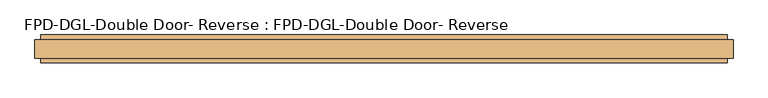
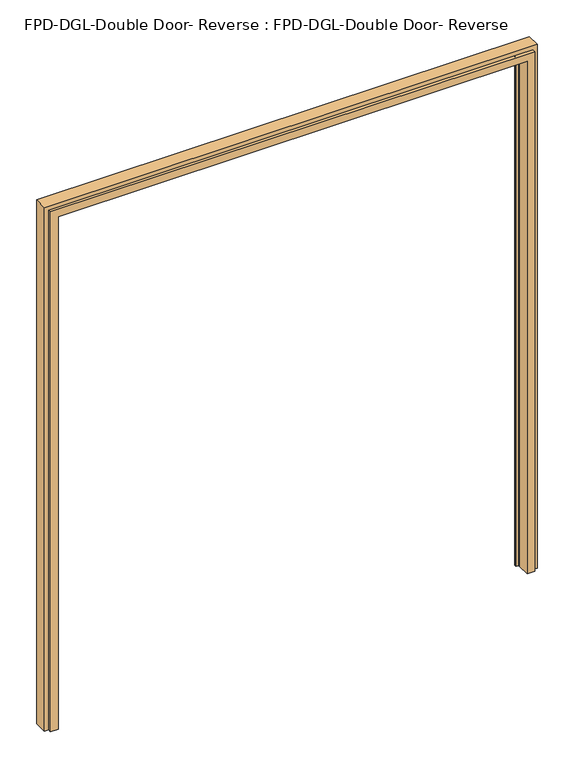
"""IFC4 building model written with IfcOpenShell, lengths in millimetres: door geometry, FPD-DGL-Double Door- Reverse : FPD-DGL-Double Door- Reverse."""

from ifc_helpers import new_model, si_unit, frame, origin, place, context, project, spatial, polyline, circle_curve, ellipse_curve, source, transform, mapped, element, save
from ifc_brep_helpers import plane_surface, cylinder_surface, revolved_surface, advanced_brep


def fpd_dgl_double_door_reverse_fpd_dgl_double_door_reverse_13acf760(model_context):
    return source(origin(), model_context, "Body", "AdvancedBrep", [
        advanced_brep(
        [(903.3075687, -11.3733949, 0.0), (903.3075687, 40.6860271, 0.0), (902.3830671, 40.6860271, 0.0), (902.3830671, 44.3028642, 0.0), (893.0413882, 44.3028642, 0.0), (892.4810471, 44.8632053, 0.0), (892.4810471, 51.5478604, 0.0), (893.0414807, 52.1082939, 0.0), (902.7488697, 52.1082939, 0.0), (903.3086545, 52.6680787, 0.0), (903.3086545, 64.7989331, 0.0), (933.4648079, 64.7989331, 0.0), (933.4556354, 52.1038106, 0.0), (949.325, 52.1038106, 0.0), (949.325, 1.322059, 0.0), (933.4556354, 1.322059, 0.0), (933.4648079, -11.3733949, 0.0), (903.3075687, -11.3733949, 2087.5825687), (903.3075687, 40.6860271, 2087.5825687), (-903.3075687, 40.6860271, 2087.5825687), (-903.3075687, 40.6860271, 0.0), (-902.3830671, 40.6860271, 0.0), (-902.3830671, 40.6860271, 2086.6580671), (902.3830671, 40.6860271, 2086.6580671), (902.3830671, 44.3028642, 2086.6580671), (-902.3830671, 44.3028642, 2086.6580671), (-902.3830671, 44.3028642, 0.0), (-893.0413882, 44.3028642, 0.0), (-893.0413882, 44.3028642, 2077.3163882), (893.0413882, 44.3028642, 2077.3163882), (892.4810471, 44.8632053, 2076.7560471), (892.4810471, 51.5478604, 2076.7560471), (893.0414807, 52.1082939, 2077.3164807), (-893.0414807, 52.1082939, 2077.3164807), (-893.0414807, 52.1082939, 0.0), (-902.7488697, 52.1082939, 0.0), (-902.7488697, 52.1082939, 2087.0238697), (902.7488697, 52.1082939, 2087.0238697), (903.3086545, 52.6680787, 2087.5836545), (903.3086545, 64.7989331, 2087.5836545), (-903.3075687, -11.3733949, 0.0), (-933.4648079, -11.3733949, 0.0), (-933.4556354, 1.322059, 0.0), (-949.325, 1.322059, 0.0), (-949.325, 52.1038106, 0.0), (-933.4556354, 52.1038106, 0.0), (-933.4648079, 64.7989331, 0.0), (-903.3086545, 64.7989331, 0.0), (-903.3086545, 52.6680787, 0.0), (-892.4810471, 51.5478604, 0.0), (-892.4810471, 44.8632053, 0.0), (-903.3086545, 64.7989331, 2087.5836545), (-903.3086545, 52.6680787, 2087.5836545), (-892.4810471, 51.5478604, 2076.7560471), (-892.4810471, 44.8632053, 2076.7560471), (-903.3075687, -11.3733949, 2087.5825687), (-933.4648079, 64.7989331, 2117.7398079), (933.4648079, 64.7989331, 2117.7398079), (933.4556354, 52.1038106, 2117.7306354), (-933.4556354, 52.1038106, 2117.7306354), (-949.325, 52.1038106, 2133.6), (949.325, 52.1038106, 2133.6), (949.325, 1.322059, 2133.6), (-949.325, 1.322059, 2133.6), (-933.4556354, 1.322059, 2117.7306354), (933.4556354, 1.322059, 2117.7306354), (933.4648079, -11.3733949, 2117.7398079), (-933.4648079, -11.3733949, 2117.7398079)],
        [
            (0, 1),
            (1, 2),
            (2, 3),
            (3, 4),
            (4, 5, circle_curve(frame((893.0413882, 44.8632053, 0.0), z_axis=(0.0, 0.0, -1.0), x_axis=(0.0, -1.0, 0.0)), 0.5603411)),
            (5, 6),
            (6, 7, circle_curve(frame((893.0414807, 51.5478604, 0.0), z_axis=(0.0, 0.0, -1.0), x_axis=(0.0, -1.0, 0.0)), 0.5604335)),
            (7, 8),
            (8, 9, circle_curve(frame((902.7488697, 52.6680787, 0.0), z_axis=(0.0, 0.0, 1.0), x_axis=(0.0, -1.0, 0.0)), 0.5597848)),
            (9, 10),
            (10, 11),
            (11, 12),
            (12, 13),
            (13, 14),
            (14, 15),
            (15, 16),
            (16, 0),
            (0, 17),
            (17, 18),
            (18, 1),
            (18, 19),
            (19, 20),
            (20, 21),
            (21, 22),
            (22, 23),
            (23, 2),
            (23, 24),
            (24, 3),
            (24, 25),
            (25, 26),
            (26, 27),
            (27, 28),
            (28, 29),
            (29, 4),
            (29, 30, ellipse_curve(frame((893.0413882, 44.8632053, 2077.3163882), z_axis=(0.7071067811865475, 0.0, -0.7071067811865475), x_axis=(-0.7071067811865474, 0.0, -0.7071067811865476)), 0.7924419, 0.5603411)),
            (30, 5),
            (30, 31),
            (31, 6),
            (31, 32, ellipse_curve(frame((893.0414807, 51.5478604, 2077.3164807), z_axis=(0.7071067811865475, 0.0, -0.7071067811865475), x_axis=(-0.7071067811865474, 0.0, -0.7071067811865476)), 0.7925727, 0.5604335)),
            (32, 7),
            (32, 33),
            (33, 34),
            (34, 35),
            (35, 36),
            (36, 37),
            (37, 8),
            (37, 38, ellipse_curve(frame((902.7488697, 52.6680787, 2087.0238697), z_axis=(-0.7071067811865475, 0.0, 0.7071067811865475), x_axis=(0.7071067811865474, 0.0, 0.7071067811865476)), 0.7916552, 0.5597848)),
            (38, 9),
            (38, 39),
            (39, 10),
            (40, 41),
            (41, 42),
            (42, 43),
            (43, 44),
            (44, 45),
            (45, 46),
            (46, 47),
            (47, 48),
            (48, 35, circle_curve(frame((-902.7488697, 52.6680787, 0.0), z_axis=(0.0, 0.0, 1.0), x_axis=(0.0, -1.0, 0.0)), 0.5597848)),
            (34, 49, circle_curve(frame((-893.0414807, 51.5478604, 0.0), z_axis=(0.0, 0.0, -1.0), x_axis=(0.0, -1.0, 0.0)), 0.5604335)),
            (49, 50),
            (50, 27, circle_curve(frame((-893.0413882, 44.8632053, 0.0), z_axis=(0.0, 0.0, -1.0), x_axis=(0.0, -1.0, 0.0)), 0.5603411)),
            (26, 21),
            (20, 40),
            (51, 52),
            (52, 48),
            (47, 51),
            (52, 36, ellipse_curve(frame((-902.7488697, 52.6680787, 2087.0238697), z_axis=(0.7071067811865475, 0.0, 0.7071067811865475), x_axis=(0.7071067811865474, 0.0, -0.7071067811865476)), 0.7916552, 0.5597848)),
            (33, 53, ellipse_curve(frame((-893.0414807, 51.5478604, 2077.3164807), z_axis=(-0.7071067811865475, 0.0, -0.7071067811865475), x_axis=(-0.7071067811865474, 0.0, 0.7071067811865476)), 0.7925727, 0.5604335)),
            (53, 49),
            (53, 54),
            (54, 50),
            (54, 28, ellipse_curve(frame((-893.0413882, 44.8632053, 2077.3163882), z_axis=(-0.7071067811865475, 0.0, -0.7071067811865475), x_axis=(-0.7071067811865474, 0.0, 0.7071067811865476)), 0.7924419, 0.5603411)),
            (25, 22),
            (19, 55),
            (55, 40),
            (17, 55),
            (54, 30),
            (53, 31),
            (52, 38),
            (51, 39),
            (46, 56),
            (56, 57),
            (57, 11),
            (57, 58),
            (58, 12),
            (58, 59),
            (59, 45),
            (44, 60),
            (60, 61),
            (61, 13),
            (61, 62),
            (62, 14),
            (62, 63),
            (63, 43),
            (42, 64),
            (64, 65),
            (65, 15),
            (65, 66),
            (66, 16),
            (66, 67),
            (67, 41),
            (67, 64),
            (63, 60),
            (59, 56),
        ],
        [
            plane_surface(frame((949.325, 26.7129348, 0.0), z_axis=(0.0, 0.0, -1.0), x_axis=(0.0, -1.0, 0.0))),
            plane_surface(frame((903.3075687, -11.3733949, 0.0), z_axis=(-1.0, 0.0, 0.0), x_axis=(0.0, 0.0, 1.0))),
            plane_surface(frame((903.3075687, 40.6860271, 0.0), z_axis=(0.0, -1.0, 0.0), x_axis=(0.0, 0.0, 1.0))),
            plane_surface(frame((902.3830671, 40.6860271, 0.0), z_axis=(-1.0, 0.0, 0.0), x_axis=(0.0, 0.0, 1.0))),
            plane_surface(frame((902.3830671, 44.3028642, 0.0), z_axis=(0.0, -1.0, 0.0), x_axis=(0.0, 0.0, 1.0))),
            cylinder_surface(frame((893.0413882, 44.8632053, 0.0), z_axis=(0.0, 0.0, -1.0), x_axis=(0.0, -1.0, 0.0)), 0.5603411),
            plane_surface(frame((892.4810471, 44.8632053, 0.0), z_axis=(-1.0, 0.0, 0.0), x_axis=(0.0, 0.0, 1.0))),
            cylinder_surface(frame((893.0414807, 51.5478604, 0.0), z_axis=(0.0, 0.0, -1.0), x_axis=(0.0, -1.0, 0.0)), 0.5604335),
            plane_surface(frame((893.0414807, 52.1082939, 0.0), z_axis=(0.0, 1.0, 0.0), x_axis=(0.0, 0.0, 1.0))),
            revolved_surface(polyline([(902.7488697, 52.1082939, 2087.5836545), (902.7488697, 52.1082939, 0.0)]), (902.7488697, 52.6680787, 0.0), (0.0, 0.0, 1.0)),
            plane_surface(frame((903.3086545, 52.6680787, 0.0), z_axis=(-1.0, 0.0, 0.0), x_axis=(0.0, 0.0, 1.0))),
            plane_surface(frame((-949.325, 26.7129348, 0.0), z_axis=(0.0, 0.0, -1.0), x_axis=(0.0, -1.0, 0.0))),
            plane_surface(frame((-903.3086545, 52.6680787, 2087.5836545), z_axis=(1.0, 0.0, 0.0), x_axis=(0.0, 0.0, -1.0))),
            revolved_surface(polyline([(-902.7488697, 52.1082939, 0.0), (-902.7488697, 52.1082939, 2087.5836545)]), (-902.7488697, 52.6680787, 2133.6), (0.0, 0.0, -1.0)),
            cylinder_surface(frame((-893.0414807, 51.5478604, 2133.6), z_axis=(0.0, 0.0, 1.0), x_axis=(0.0, -1.0, 0.0)), 0.5604335),
            plane_surface(frame((-892.4810471, 44.8632053, 2076.7560471), z_axis=(1.0, 0.0, 0.0), x_axis=(0.0, 0.0, -1.0))),
            cylinder_surface(frame((-893.0413882, 44.8632053, 2133.6), z_axis=(0.0, 0.0, 1.0), x_axis=(0.0, -1.0, 0.0)), 0.5603411),
            plane_surface(frame((-902.3830671, 40.6860271, 2086.6580671), z_axis=(1.0, 0.0, 0.0), x_axis=(0.0, 0.0, -1.0))),
            plane_surface(frame((-903.3075687, -11.3733949, 2087.5825687), z_axis=(1.0, 0.0, 0.0), x_axis=(0.0, 0.0, -1.0))),
            plane_surface(frame((903.3075687, -11.3733949, 2087.5825687), z_axis=(0.0, 0.0, -1.0), x_axis=(-1.0, 0.0, 0.0))),
            plane_surface(frame((902.3830671, 40.6860271, 2086.6580671), z_axis=(0.0, 0.0, -1.0), x_axis=(-1.0, 0.0, 0.0))),
            cylinder_surface(frame((949.325, 44.8632053, 2077.3163882), z_axis=(1.0, 0.0, 0.0), x_axis=(0.0, -1.0, 0.0)), 0.5603411),
            plane_surface(frame((892.4810471, 44.8632053, 2076.7560471), z_axis=(0.0, 0.0, -1.0), x_axis=(-1.0, 0.0, 0.0))),
            cylinder_surface(frame((949.325, 51.5478604, 2077.3164807), z_axis=(1.0, 0.0, 0.0), x_axis=(0.0, -1.0, 0.0)), 0.5604335),
            revolved_surface(polyline([(-903.3086544999999, 52.1082939, 2087.0238697), (903.3086545, 52.1082939, 2087.0238697)]), (949.325, 52.6680787, 2087.0238697), (-1.0, 0.0, 0.0)),
            plane_surface(frame((903.3086545, 52.6680787, 2087.5836545), z_axis=(0.0, 0.0, -1.0), x_axis=(-1.0, 0.0, 0.0))),
            plane_surface(frame((903.3086545, 64.7989331, 0.0), z_axis=(0.0, 1.0, 0.0), x_axis=(0.0, 0.0, 1.0))),
            plane_surface(frame((933.4648079, 64.7989331, 0.0), z_axis=(0.9999997389791127, -0.0007225245370746675, 0.0), x_axis=(0.0, 0.0, 1.0))),
            plane_surface(frame((933.4556354, 52.1038106, 0.0), z_axis=(0.0, 1.0, 0.0), x_axis=(0.0, 0.0, 1.0))),
            plane_surface(frame((949.325, 52.1038106, 0.0), z_axis=(1.0, 0.0, 0.0), x_axis=(0.0, 0.0, 1.0))),
            plane_surface(frame((949.325, 1.322059, 0.0), z_axis=(0.0, -1.0, 0.0), x_axis=(0.0, 0.0, 1.0))),
            plane_surface(frame((933.4556354, 1.322059, 0.0), z_axis=(0.9999997389927424, 0.0007225056727223857, 0.0), x_axis=(0.0, 0.0, 1.0))),
            plane_surface(frame((933.4648079, -11.3733949, 0.0), z_axis=(0.0, -1.0, 0.0), x_axis=(0.0, 0.0, 1.0))),
            plane_surface(frame((-933.4556354, 1.322059, 2117.7306354), z_axis=(-0.9999997389927424, 0.0007225056727223857, 0.0), x_axis=(0.0, 0.0, -1.0))),
            plane_surface(frame((-949.325, 52.1038106, 2133.6), z_axis=(-1.0, 0.0, 0.0), x_axis=(0.0, 0.0, -1.0))),
            plane_surface(frame((-933.4648079, 64.7989331, 2117.7398079), z_axis=(-0.9999997389791127, -0.0007225245370746675, 0.0), x_axis=(0.0, 0.0, -1.0))),
            plane_surface(frame((933.4648079, 64.7989331, 2117.7398079), z_axis=(0.0, -0.0007225245370746675, 0.9999997389791127), x_axis=(-1.0, 0.0, 0.0))),
            plane_surface(frame((949.325, 52.1038106, 2133.6), z_axis=(0.0, 0.0, 1.0), x_axis=(-1.0, 0.0, 0.0))),
            plane_surface(frame((933.4556354, 1.322059, 2117.7306354), z_axis=(0.0, 0.0007225056727223857, 0.9999997389927424), x_axis=(-1.0, 0.0, 0.0))),
        ],
        [
            (0, [[1, 2, 3, 4, 5, 6, 7, 8, 9, 10, 11, 12, 13, 14, 15, 16, 17]]),
            (1, [[-1, 18, 19, 20]]),
            (2, [[-2, -20, 21, 22, 23, 24, 25, 26]]),
            (3, [[-3, -26, 27, 28]]),
            (4, [[-4, -28, 29, 30, 31, 32, 33, 34]]),
            (5, [[-5, -34, 35, 36]]),
            (6, [[-6, -36, 37, 38]]),
            (7, [[-7, -38, 39, 40]]),
            (8, [[-8, -40, 41, 42, 43, 44, 45, 46]]),
            (9, [[-9, -46, 47, 48]]),
            (10, [[-10, -48, 49, 50]]),
            (11, [[51, 52, 53, 54, 55, 56, 57, 58, 59, -43, 60, 61, 62, -31, 63, -23, 64]]),
            (12, [[65, 66, -58, 67]]),
            (13, [[68, -44, -59, -66]]),
            (14, [[69, 70, -60, -42]]),
            (15, [[71, 72, -61, -70]]),
            (16, [[73, -32, -62, -72]]),
            (17, [[74, -24, -63, -30]]),
            (18, [[75, 76, -64, -22]]),
            (19, [[-19, 77, -75, -21]]),
            (20, [[-27, -25, -74, -29]]),
            (21, [[-35, -33, -73, 78]]),
            (22, [[-37, -78, -71, 79]]),
            (23, [[-39, -79, -69, -41]]),
            (24, [[-47, -45, -68, 80]]),
            (25, [[-49, -80, -65, 81]]),
            (26, [[-11, -50, -81, -67, -57, 82, 83, 84]]),
            (27, [[-12, -84, 85, 86]]),
            (28, [[-13, -86, 87, 88, -55, 89, 90, 91]]),
            (29, [[-14, -91, 92, 93]]),
            (30, [[-15, -93, 94, 95, -53, 96, 97, 98]]),
            (31, [[-16, -98, 99, 100]]),
            (32, [[-17, -100, 101, 102, -51, -76, -77, -18]]),
            (33, [[103, -96, -52, -102]]),
            (34, [[104, -89, -54, -95]]),
            (35, [[105, -82, -56, -88]]),
            (36, [[-85, -83, -105, -87]]),
            (37, [[-92, -90, -104, -94]]),
            (38, [[-99, -97, -103, -101]]),
        ],
    ),
    ])


if __name__ == "__main__":
    model = new_model("IFC4")
    model_context = context("Model", 3, world=origin())
    ifc_project = project(units=[si_unit("LENGTHUNIT", "METRE", prefix="MILLI")], contexts=[model_context])
    site = spatial("IfcSite", under=ifc_project)
    building = spatial("IfcBuilding", under=site)
    placement = place(None, origin())
    fpd_dgl_double_door_reverse_fpd_dgl_double_door_reverse_shape = fpd_dgl_double_door_reverse_fpd_dgl_double_door_reverse_13acf760(model_context)
    element("IfcDoor", 1, ObjectType="FPD-DGL-Double Door- Reverse : FPD-DGL-Double Door- Reverse", at=placement, inside=building, context=model_context, shape_type="MappedRepresentation", body=[
        mapped(fpd_dgl_double_door_reverse_fpd_dgl_double_door_reverse_shape, transform((0.0, 0.0, 0.0), x_axis=(1.0, 0.0, 0.0), y_axis=(0.0, 1.0, 0.0), z_axis=(0.0, 0.0, 1.0))),
    ])
    save(model, "model.ifc")
